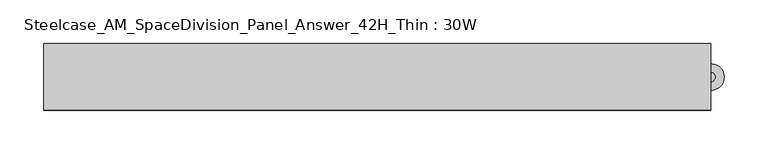
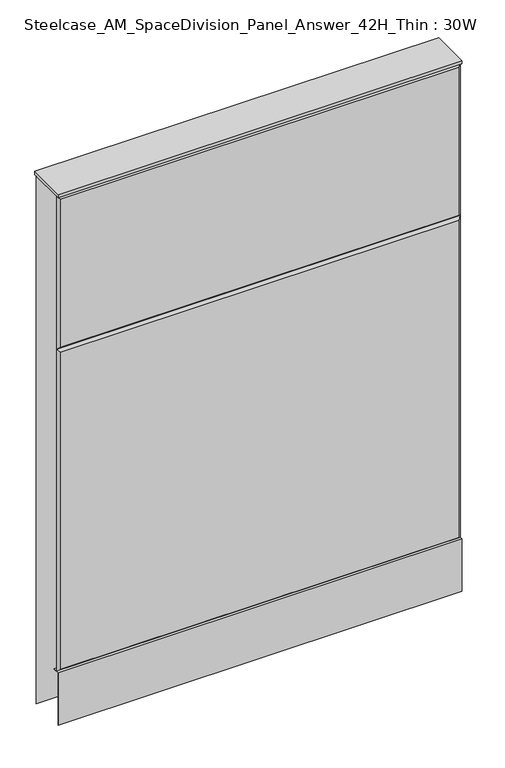
"""IFC4 building model written with IfcOpenShell, lengths in millimetres: furniture geometry, Steelcase_AM_SpaceDivision_Panel_Answer_42H_Thin : 30W."""

import ifcopenshell
import ifcopenshell.guid

model = None  # the IFC model being written
_history = None  # IfcOwnerHistory: only IFC2X3 demands one
_inside = {}  # id of a spatial element -> (the spatial element, [elements in it])
_under = {}  # id of a project, library or spatial element -> (it, [spatial elements below it])
_declared = {}  # id of a project -> (the project, [libraries it declares])
_typed = {}  # id of a type object -> (the type object, [elements of that type])
_made_of = {}  # id of a material, layer set ... -> (it, [elements and type objects made of it])


def new_model(schema):
    """Start an empty IFC model of exactly this schema.

    Asked for "IFC4X3", IfcOpenShell would pick the latest addendum, in which some entities
    have other attributes; the version numbers below select the first issue.
    IFC2X3 requires an IfcOwnerHistory on every rooted entity: one is made here for all.
    """
    global model, _history
    if schema == "IFC4X3":
        model = ifcopenshell.file(schema_version=(4, 3, 0, 0))
    else:
        model = ifcopenshell.file(schema=schema)
    _inside.clear()
    _under.clear()
    _declared.clear()
    _typed.clear()
    _made_of.clear()
    _history = None
    if model.schema == "IFC2X3":
        org = make("IfcOrganization", Name="unknown")
        user = make(
            "IfcPersonAndOrganization",
            ThePerson=make("IfcPerson", FamilyName="unknown"),
            TheOrganization=org,
        )
        app = make(
            "IfcApplication",
            ApplicationDeveloper=org,
            Version="unknown",
            ApplicationFullName="unknown",
            ApplicationIdentifier="unknown",
        )
        _history = make(
            "IfcOwnerHistory",
            OwningUser=user,
            OwningApplication=app,
            ChangeAction="ADDED",
            CreationDate=0,
        )
    return model


def make(cls, **values):
    """One entity of the class cls with the attributes given. An attribute that is None is left unset."""
    return model.create_entity(
        cls, **{name: value for name, value in values.items() if value is not None}
    )


def rooted(cls, **values):
    """An entity with a GlobalId (a new one), such as an element, a storey or a relation."""
    return make(cls, GlobalId=ifcopenshell.guid.new(), OwnerHistory=_history, **values)


def si_unit(unit_type, name, prefix=None):
    """IfcSIUnit, for example si_unit("LENGTHUNIT", "METRE", prefix="MILLI")."""
    return make("IfcSIUnit", UnitType=unit_type, Prefix=prefix, Name=name)


def assignment(units):
    """IfcUnitAssignment: the units of a project."""
    return None if units is None else make("IfcUnitAssignment", Units=units)


def point(xyz):
    """IfcCartesianPoint."""
    return None if xyz is None else make("IfcCartesianPoint", Coordinates=xyz)


def direction(xyz):
    """IfcDirection."""
    return None if xyz is None else make("IfcDirection", DirectionRatios=xyz)


def frame(location, z_axis=None, x_axis=None):
    """IfcAxis2Placement3D, a coordinate frame: its origin and axes. An axis left out is left unset."""
    return make(
        "IfcAxis2Placement3D",
        Location=point(location),
        Axis=direction(z_axis),
        RefDirection=direction(x_axis),
    )


def frame_2d(location, x_axis=None):
    """IfcAxis2Placement2D, a coordinate frame in the plane: its origin and x axis."""
    return make(
        "IfcAxis2Placement2D", Location=point(location), RefDirection=direction(x_axis)
    )


def origin():
    """The frame at (0, 0, 0) with its axes left unset."""
    return frame((0.0, 0.0, 0.0))


def place(relative_to, where):
    """IfcLocalPlacement: puts the frame where relative to a parent placement (None: the world)."""
    return make(
        "IfcLocalPlacement", PlacementRelTo=relative_to, RelativePlacement=where
    )


def context(
    kind, dimensions, precision=None, world=None, true_north=None, identifier=None
):
    """IfcGeometricRepresentationContext, for example the 3D "Model" context."""
    return make(
        "IfcGeometricRepresentationContext",
        ContextIdentifier=identifier,
        ContextType=kind,
        CoordinateSpaceDimension=dimensions,
        Precision=precision,
        WorldCoordinateSystem=world,
        TrueNorth=true_north,
    )


def project(units=None, contexts=None):
    """IfcProject with its units and contexts."""
    return rooted(
        "IfcProject",
        Name="project",
        RepresentationContexts=contexts,
        UnitsInContext=assignment(units),
    )


def spatial(cls, under=None, at=None, **own):
    """A site, building, storey or space (cls), placed at a placement, below another one or the project."""
    s = rooted(cls, ObjectPlacement=at, **own)
    if under is not None:
        _under.setdefault(under.id(), (under, []))[1].append(s)
    return s


def polyline(points):
    """IfcPolyline through the points."""
    return make("IfcPolyline", Points=[point(p) for p in points])


def circle_curve(where, radius):
    """IfcCircle in the frame where."""
    return make("IfcCircle", Position=where, Radius=radius)


def trimmed(basis, trim1, trim2, sense, master):
    """IfcTrimmedCurve: the piece of a basis curve between two trims."""
    return make(
        "IfcTrimmedCurve",
        BasisCurve=basis,
        Trim1=trim1,
        Trim2=trim2,
        SenseAgreement=sense,
        MasterRepresentation=master,
    )


def segment(curve, same_sense, transition):
    """IfcCompositeCurveSegment."""
    return make(
        "IfcCompositeCurveSegment",
        Transition=transition,
        SameSense=same_sense,
        ParentCurve=curve,
    )


def composite_curve(segments, self_intersect=None):
    """IfcCompositeCurve: segments joined end to end."""
    return make("IfcCompositeCurve", Segments=segments, SelfIntersect=self_intersect)


def outline(outer, holes=None, kind="AREA"):
    """IfcArbitraryClosedProfileDef: a profile drawn as a closed curve; with holes, ...WithVoids."""
    if holes is None:
        return make("IfcArbitraryClosedProfileDef", ProfileType=kind, OuterCurve=outer)
    return make(
        "IfcArbitraryProfileDefWithVoids",
        ProfileType=kind,
        OuterCurve=outer,
        InnerCurves=holes,
    )


def extrude(swept, where, along, depth):
    """IfcExtrudedAreaSolid: the profile swept, set in the frame where, extruded along a direction by depth."""
    return make(
        "IfcExtrudedAreaSolid",
        SweptArea=swept,
        Position=where,
        ExtrudedDirection=direction(along),
        Depth=depth,
    )


def faces_of(points, faces, orient=None, outer=None):
    """IfcFace entities. A face is a list of loops; a loop is a list of indices into points, from 0.

    orient and outer hold one flag for each loop. By default every Orientation is true, the
    first loop of a face is its IfcFaceOuterBound and the others are IfcFaceBound.
    """
    made = []
    for i, loops in enumerate(faces):
        bounds = []
        for j, loop in enumerate(loops):
            is_outer = j == 0 if outer is None else outer[i][j]
            bounds.append(
                make(
                    "IfcFaceOuterBound" if is_outer else "IfcFaceBound",
                    Bound=make("IfcPolyLoop", Polygon=[points[k] for k in loop]),
                    Orientation=True if orient is None else orient[i][j],
                )
            )
        made.append(make("IfcFace", Bounds=bounds))
    return made


def faceted_brep(points, faces, orient=None, outer=None, voids=None):
    """IfcFacetedBrep: a solid bounded by flat faces; with voids (closed shells), ...WithVoids."""
    shared = [point(p) for p in points]
    hull = make("IfcClosedShell", CfsFaces=faces_of(shared, faces, orient, outer))
    if voids is None:
        return make("IfcFacetedBrep", Outer=hull)
    return make(
        "IfcFacetedBrepWithVoids",
        Outer=hull,
        Voids=[
            make(cls, CfsFaces=faces_of(shared, fs, o, b)) for cls, fs, o, b in voids
        ],
    )


def shape(context_of_items, identifier, shape_type, items):
    """IfcShapeRepresentation: the items that make up one representation, for example the "Body"."""
    return make(
        "IfcShapeRepresentation",
        ContextOfItems=context_of_items,
        RepresentationIdentifier=identifier,
        RepresentationType=shape_type,
        Items=items,
    )


def source(mapping_origin, context_of_items, identifier, shape_type, items):
    """IfcRepresentationMap: a shape defined once, which mapped items show again and again."""
    return make(
        "IfcRepresentationMap",
        MappingOrigin=mapping_origin,
        MappedRepresentation=shape(context_of_items, identifier, shape_type, items),
    )


def transform(
    local_origin,
    x_axis=None,
    y_axis=None,
    z_axis=None,
    scale=None,
    scale2=None,
    scale3=None,
    uniform=True,
):
    """IfcCartesianTransformationOperator3D, or its non-uniform kind. x_axis, y_axis, z_axis: its Axis1, 2, 3."""
    if uniform:
        return make(
            "IfcCartesianTransformationOperator3D",
            Axis1=direction(x_axis),
            Axis2=direction(y_axis),
            LocalOrigin=point(local_origin),
            Scale=scale,
            Axis3=direction(z_axis),
        )
    return make(
        "IfcCartesianTransformationOperator3DnonUniform",
        Axis1=direction(x_axis),
        Axis2=direction(y_axis),
        LocalOrigin=point(local_origin),
        Scale=scale,
        Axis3=direction(z_axis),
        Scale2=scale2,
        Scale3=scale3,
    )


def mapped(mapping_source, mapping_target):
    """IfcMappedItem: shows the shape of a source again, moved by a transform."""
    return make(
        "IfcMappedItem", MappingSource=mapping_source, MappingTarget=mapping_target
    )


def made_of(thing, what):
    """Note that an element or type object is made of a material, layer set ...; save() writes the relation."""
    if what is not None:
        _made_of.setdefault(what.id(), (what, []))[1].append(thing)
    return thing


def element(
    cls,
    number,
    at=None,
    inside=None,
    cuts=None,
    type_object=None,
    material=None,
    context=None,
    identifier="Body",
    shape_type=None,
    held_by="IfcProductDefinitionShape",
    body=None,
    shapes=None,
    **own,
):
    """One element of the class cls, such as IfcWall. Its Tag is "e" and its number.

    at: its placement. inside: the storey or other place that contains it. cuts: it is an
    opening in that element (IfcRelVoidsElement). A single representation is given by context,
    identifier, shape_type and body (its items); several are given by shapes. held_by: the class
    of the entity that holds the representations. save() writes the other relations.
    """
    e = rooted(cls, Tag="e%d" % number, ObjectPlacement=at, **own)
    if body is not None:
        shapes = [shape(context, identifier, shape_type, body)]
    if shapes is not None:
        e.Representation = make(held_by, Representations=shapes)
    if inside is not None:
        _inside.setdefault(inside.id(), (inside, []))[1].append(e)
    if cuts is not None:
        rooted(
            "IfcRelVoidsElement", RelatingBuildingElement=cuts, RelatedOpeningElement=e
        )
    if type_object is not None:
        _typed.setdefault(type_object.id(), (type_object, []))[1].append(e)
    return made_of(e, material)


def aggregate(whole, parts):
    """IfcRelAggregates: a whole, such as a stair, and the parts it consists of."""
    return rooted("IfcRelAggregates", RelatingObject=whole, RelatedObjects=parts)


def save(model, path):
    """Write the relations noted so far, then the file.

    IfcRelAggregates (storeys below a building ...), IfcRelContainedInSpatialStructure (elements
    in a storey), IfcRelDefinesByType, IfcRelAssociatesMaterial and IfcRelDeclares: one each for
    every whole, place, type object, material and project.
    """
    for whole, parts in _under.values():
        aggregate(whole, parts)
    for where, things in _inside.values():
        rooted(
            "IfcRelContainedInSpatialStructure",
            RelatedElements=things,
            RelatingStructure=where,
        )
    for kind, things in _typed.values():
        rooted("IfcRelDefinesByType", RelatedObjects=things, RelatingType=kind)
    for what, things in _made_of.values():
        rooted("IfcRelAssociatesMaterial", RelatedObjects=things, RelatingMaterial=what)
    for by, libraries in _declared.values():
        rooted("IfcRelDeclares", RelatingContext=by, RelatedDefinitions=libraries)
    model.write(path)


def steelcase_am_spacedivision_panel_answer_42h_thin_30w_ea018660(model_context):
    return source(origin(), model_context, "Body", "SolidModel", [
        extrude(outline(polyline([(-37.3075215, 119.8575157), (-37.3075215, 15.494), (-38.1000194, 15.494), (-38.1000194, 120.65), (-25.4000011, 120.65), (-25.4000011, 119.8575157), (-37.3075215, 119.8575157)])), frame((-381.0, 0.0, 0.0), z_axis=(1.0, 0.0, 0.0), x_axis=(0.0, 1.0, 0.0)), (0.0, 0.0, 1.0), 762.0),
        extrude(outline(composite_curve([segment(trimmed(circle_curve(frame_2d((381.0, -1.94e-05)), 5.08), [point((386.08, -1.94e-05))], [point((375.92, -1.94e-05))], False, "CARTESIAN"), True, "CONTINUOUS"), segment(trimmed(circle_curve(frame_2d((381.0, -1.94e-05)), 5.08), [point((375.92, -1.94e-05))], [point((386.08, -1.94e-05))], False, "CARTESIAN"), True, "CONTINUOUS")], self_intersect=False)), frame((0.0, 0.0, 5.0799671), z_axis=(0.0, 0.0, 1.0), x_axis=(1.0, 0.0, 0.0)), (0.0, 0.0, 1.0), 10.414),
        extrude(outline(composite_curve([segment(trimmed(circle_curve(frame_2d((381.0, -1.94e-05)), 15.24), [point((396.24, -1.94e-05))], [point((365.76, -1.94e-05))], False, "CARTESIAN"), True, "CONTINUOUS"), segment(trimmed(circle_curve(frame_2d((381.0, -1.94e-05)), 15.24), [point((365.76, -1.94e-05))], [point((396.24, -1.94e-05))], False, "CARTESIAN"), True, "CONTINUOUS")], self_intersect=False)), frame((0.0, 0.0, -3.29e-05), z_axis=(0.0, 0.0, 1.0), x_axis=(1.0, 0.0, 0.0)), (0.0, 0.0, 1.0), 5.08),
        faceted_brep([(-381.0, 33.2700541, 1066.8), (-381.0, 33.2700541, 15.494), (381.0, 33.2700541, 15.494), (381.0, 33.2700541, 1066.8), (376.174, 38.0960541, 1061.974), (-376.174, 38.0960541, 1061.974), (376.174, 38.0960541, 20.32), (-376.174, 38.0960541, 20.32)], [[[0, 1, 2, 3]], [[0, 3, 4, 5]], [[5, 4, 6, 7]], [[3, 2, 6, 4]], [[2, 1, 7, 6]], [[1, 0, 5, 7]]]),
        faceted_brep([(376.174, -38.0960541, 1061.974), (-376.174, -38.0960541, 1061.974), (-376.174, -38.0960541, 766.826), (376.174, -38.0960541, 766.826), (381.0, -33.2700541, 1066.8), (381.0, -33.2700541, 762.0), (-381.0, -33.2700541, 762.0), (-381.0, -33.2700541, 1066.8)], [[[0, 1, 2, 3]], [[4, 5, 6, 7]], [[4, 7, 1, 0]], [[7, 6, 2, 1]], [[6, 5, 3, 2]], [[5, 4, 0, 3]]]),
        faceted_brep([(376.174, -38.0960541, 757.174), (-376.174, -38.0960541, 757.174), (-376.174, -38.0960541, 125.476), (376.174, -38.0960541, 125.476), (381.0, -33.2700541, 762.0), (381.0, -33.2700541, 120.65), (-381.0, -33.2700541, 120.65), (-381.0, -33.2700541, 762.0)], [[[0, 1, 2, 3]], [[4, 5, 6, 7]], [[4, 7, 1, 0]], [[7, 6, 2, 1]], [[6, 5, 3, 2]], [[5, 4, 0, 3]]]),
        extrude(outline(polyline([(381.0, 38.1000194), (381.0, -38.1000194), (-381.0, -38.1000194), (-381.0, 38.1000194), (381.0, 38.1000194)])), frame((0.0, 0.0, 1066.8), z_axis=(0.0, 0.0, 1.0), x_axis=(1.0, 0.0, 0.0)), (0.0, 0.0, 1.0), 6.35),
    ])


if __name__ == "__main__":
    model = new_model("IFC4")
    model_context = context("Model", 3, world=origin())
    ifc_project = project(units=[si_unit("LENGTHUNIT", "METRE", prefix="MILLI")], contexts=[model_context])
    site = spatial("IfcSite", under=ifc_project)
    building = spatial("IfcBuilding", under=site)
    placement = place(None, origin())
    steelcase_am_spacedivision_panel_answer_42h_thin_30w_shape = steelcase_am_spacedivision_panel_answer_42h_thin_30w_ea018660(model_context)
    element("IfcFurniture", 1, ObjectType="Steelcase_AM_SpaceDivision_Panel_Answer_42H_Thin : 30W", at=placement, inside=building, context=model_context, shape_type="MappedRepresentation", body=[
        mapped(steelcase_am_spacedivision_panel_answer_42h_thin_30w_shape, transform((0.0, 0.0, 0.0), x_axis=(1.0, 0.0, 0.0), y_axis=(0.0, 1.0, 0.0), z_axis=(0.0, 0.0, 1.0))),
    ])
    save(model, "model.ifc")
